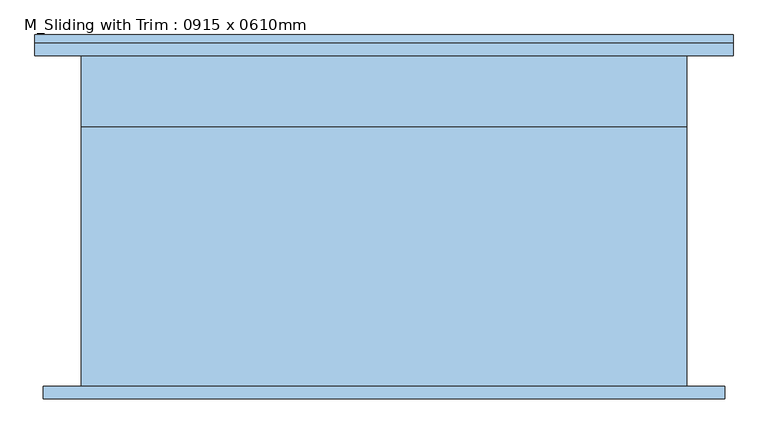
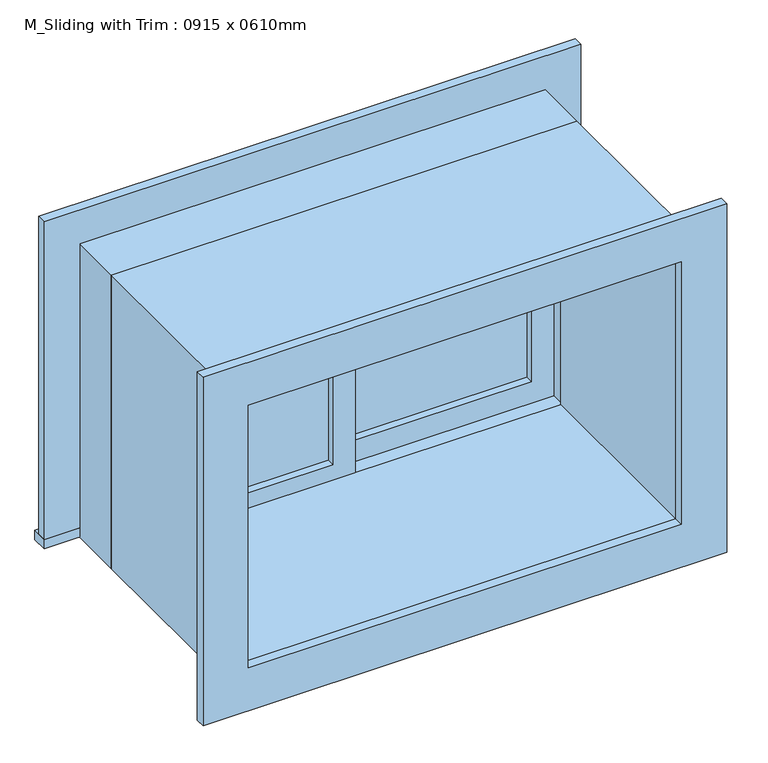
"""IFC4 building model written with IfcOpenShell, lengths in millimetres: window geometry, M_Sliding with Trim : 0915 x 0610mm."""

from ifc_helpers import new_model, si_unit, frame, origin, place, context, project, spatial, polyline, outline, extrude, source, transform, mapped, element, save


def m_sliding_with_trim_0915_x_0610mm_1f1e46f2(model_context):
    return source(origin(), model_context, "Body", "SweptSolid", [
        extrude(outline(polyline([(-394.0, 170.675), (-22.225, 170.675), (-22.225, 157.975), (-394.0, 157.975), (-394.0, 170.675)])), frame((0.0, 0.0, 978.5), z_axis=(0.0, 0.0, 1.0), x_axis=(1.0, 0.0, 0.0)), (0.0, 0.0, 1.0), 483.0),
        extrude(outline(polyline([(1505.95, -438.45), (934.05, -438.45), (934.05, 22.225), (1505.95, 22.225), (1505.95, -438.45)]), holes=[polyline([(1461.5, -394.0), (1461.5, -22.225), (978.5, -22.225), (978.5, -394.0), (1461.5, -394.0)])]), frame((0.0, 142.1, 0.0), z_axis=(0.0, 1.0, 0.0), x_axis=(0.0, 0.0, 1.0)), (0.0, 0.0, 1.0), 44.45),
        extrude(outline(polyline([(-527.45, 281.7), (527.45, 281.7), (527.45, 250.0), (-527.45, 250.0), (-527.45, 281.7)])), frame((0.0, 0.0, 915.0), z_axis=(0.0, 0.0, 1.0), x_axis=(1.0, 0.0, 0.0)), (0.0, 0.0, 1.0), 19.05),
        extrude(outline(polyline([(1505.95, -438.45), (1505.95, 438.45), (934.05, 438.45), (934.05, 527.45), (1594.95, 527.45), (1594.95, -527.45), (934.05, -527.45), (934.05, -438.45), (1505.95, -438.45)])), frame((0.0, 250.0, 0.0), z_axis=(0.0, 1.0, 0.0), x_axis=(0.0, 0.0, 1.0)), (0.0, 0.0, 1.0), 19.0),
        extrude(outline(polyline([(1582.25, 514.75), (1582.25, -514.75), (857.75, -514.75), (857.75, 514.75), (1582.25, 514.75)]), holes=[polyline([(1493.25, 425.75), (946.75, 425.75), (946.75, -425.75), (1493.25, -425.75), (1493.25, 425.75)])]), frame((0.0, -269.0, 0.0), z_axis=(0.0, 1.0, 0.0), x_axis=(0.0, 0.0, 1.0)), (0.0, 0.0, 1.0), 19.0),
        extrude(outline(polyline([(394.0, 202.425), (22.225, 202.425), (22.225, 215.125), (394.0, 215.125), (394.0, 202.425)])), frame((0.0, 0.0, 978.5), z_axis=(0.0, 0.0, 1.0), x_axis=(1.0, 0.0, 0.0)), (0.0, 0.0, 1.0), 483.0),
        extrude(outline(polyline([(1505.95, -22.225), (934.05, -22.225), (934.05, 438.45), (1505.95, 438.45), (1505.95, -22.225)]), holes=[polyline([(1461.5, 22.225), (1461.5, 394.0), (978.5, 394.0), (978.5, 22.225), (1461.5, 22.225)])]), frame((0.0, 186.55, 0.0), z_axis=(0.0, 1.0, 0.0), x_axis=(0.0, 0.0, 1.0)), (0.0, 0.0, 1.0), 44.45),
        extrude(outline(polyline([(1525.0, -457.5), (915.0, -457.5), (915.0, 457.5), (1525.0, 457.5), (1525.0, -457.5)]), holes=[polyline([(1493.25, -425.75), (1493.25, 425.75), (946.75, 425.75), (946.75, -425.75), (1493.25, -425.75)])]), frame((0.0, -250.0, 0.0), z_axis=(0.0, 1.0, 0.0), x_axis=(0.0, 0.0, 1.0)), (0.0, 0.0, 1.0), 392.1),
        extrude(outline(polyline([(1525.0, 457.5), (1525.0, -457.5), (915.0, -457.5), (915.0, 457.5), (1525.0, 457.5)]), holes=[polyline([(1505.95, 438.45), (934.05, 438.45), (934.05, -438.45), (1505.95, -438.45), (1505.95, 438.45)])]), frame((0.0, 142.1, 0.0), z_axis=(0.0, 1.0, 0.0), x_axis=(0.0, 0.0, 1.0)), (0.0, 0.0, 1.0), 107.9),
    ])


if __name__ == "__main__":
    model = new_model("IFC4")
    model_context = context("Model", 3, world=origin())
    ifc_project = project(units=[si_unit("LENGTHUNIT", "METRE", prefix="MILLI")], contexts=[model_context])
    site = spatial("IfcSite", under=ifc_project)
    building = spatial("IfcBuilding", under=site)
    placement = place(None, origin())
    m_sliding_with_trim_0915_x_0610mm_shape = m_sliding_with_trim_0915_x_0610mm_1f1e46f2(model_context)
    element("IfcWindow", 1, ObjectType="M_Sliding with Trim : 0915 x 0610mm", at=placement, inside=building, context=model_context, shape_type="MappedRepresentation", body=[
        mapped(m_sliding_with_trim_0915_x_0610mm_shape, transform((0.0, 0.0, 0.0), x_axis=(1.0, 0.0, 0.0), y_axis=(0.0, 1.0, 0.0), z_axis=(0.0, 0.0, 1.0))),
    ])
    save(model, "model.ifc")
